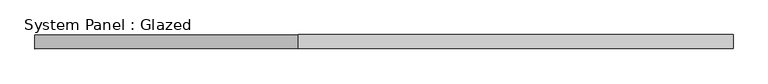
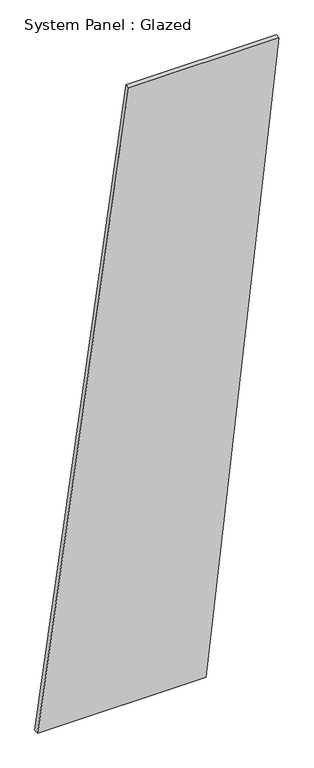
"""IFC4 building model written with IfcOpenShell, lengths in millimetres: plate geometry, System Panel : Glazed."""

import ifcopenshell
import ifcopenshell.guid

model = None  # the IFC model being written
_history = None  # IfcOwnerHistory: only IFC2X3 demands one
_inside = {}  # id of a spatial element -> (the spatial element, [elements in it])
_under = {}  # id of a project, library or spatial element -> (it, [spatial elements below it])
_declared = {}  # id of a project -> (the project, [libraries it declares])
_typed = {}  # id of a type object -> (the type object, [elements of that type])
_made_of = {}  # id of a material, layer set ... -> (it, [elements and type objects made of it])


def new_model(schema):
    """Start an empty IFC model of exactly this schema.

    Asked for "IFC4X3", IfcOpenShell would pick the latest addendum, in which some entities
    have other attributes; the version numbers below select the first issue.
    IFC2X3 requires an IfcOwnerHistory on every rooted entity: one is made here for all.
    """
    global model, _history
    if schema == "IFC4X3":
        model = ifcopenshell.file(schema_version=(4, 3, 0, 0))
    else:
        model = ifcopenshell.file(schema=schema)
    _inside.clear()
    _under.clear()
    _declared.clear()
    _typed.clear()
    _made_of.clear()
    _history = None
    if model.schema == "IFC2X3":
        org = make("IfcOrganization", Name="unknown")
        user = make(
            "IfcPersonAndOrganization",
            ThePerson=make("IfcPerson", FamilyName="unknown"),
            TheOrganization=org,
        )
        app = make(
            "IfcApplication",
            ApplicationDeveloper=org,
            Version="unknown",
            ApplicationFullName="unknown",
            ApplicationIdentifier="unknown",
        )
        _history = make(
            "IfcOwnerHistory",
            OwningUser=user,
            OwningApplication=app,
            ChangeAction="ADDED",
            CreationDate=0,
        )
    return model


def make(cls, **values):
    """One entity of the class cls with the attributes given. An attribute that is None is left unset."""
    return model.create_entity(
        cls, **{name: value for name, value in values.items() if value is not None}
    )


def rooted(cls, **values):
    """An entity with a GlobalId (a new one), such as an element, a storey or a relation."""
    return make(cls, GlobalId=ifcopenshell.guid.new(), OwnerHistory=_history, **values)


def si_unit(unit_type, name, prefix=None):
    """IfcSIUnit, for example si_unit("LENGTHUNIT", "METRE", prefix="MILLI")."""
    return make("IfcSIUnit", UnitType=unit_type, Prefix=prefix, Name=name)


def assignment(units):
    """IfcUnitAssignment: the units of a project."""
    return None if units is None else make("IfcUnitAssignment", Units=units)


def point(xyz):
    """IfcCartesianPoint."""
    return None if xyz is None else make("IfcCartesianPoint", Coordinates=xyz)


def direction(xyz):
    """IfcDirection."""
    return None if xyz is None else make("IfcDirection", DirectionRatios=xyz)


def frame(location, z_axis=None, x_axis=None):
    """IfcAxis2Placement3D, a coordinate frame: its origin and axes. An axis left out is left unset."""
    return make(
        "IfcAxis2Placement3D",
        Location=point(location),
        Axis=direction(z_axis),
        RefDirection=direction(x_axis),
    )


def origin():
    """The frame at (0, 0, 0) with its axes left unset."""
    return frame((0.0, 0.0, 0.0))


def place(relative_to, where):
    """IfcLocalPlacement: puts the frame where relative to a parent placement (None: the world)."""
    return make(
        "IfcLocalPlacement", PlacementRelTo=relative_to, RelativePlacement=where
    )


def context(
    kind, dimensions, precision=None, world=None, true_north=None, identifier=None
):
    """IfcGeometricRepresentationContext, for example the 3D "Model" context."""
    return make(
        "IfcGeometricRepresentationContext",
        ContextIdentifier=identifier,
        ContextType=kind,
        CoordinateSpaceDimension=dimensions,
        Precision=precision,
        WorldCoordinateSystem=world,
        TrueNorth=true_north,
    )


def project(units=None, contexts=None):
    """IfcProject with its units and contexts."""
    return rooted(
        "IfcProject",
        Name="project",
        RepresentationContexts=contexts,
        UnitsInContext=assignment(units),
    )


def spatial(cls, under=None, at=None, **own):
    """A site, building, storey or space (cls), placed at a placement, below another one or the project."""
    s = rooted(cls, ObjectPlacement=at, **own)
    if under is not None:
        _under.setdefault(under.id(), (under, []))[1].append(s)
    return s


def polyline(points):
    """IfcPolyline through the points."""
    return make("IfcPolyline", Points=[point(p) for p in points])


def outline(outer, holes=None, kind="AREA"):
    """IfcArbitraryClosedProfileDef: a profile drawn as a closed curve; with holes, ...WithVoids."""
    if holes is None:
        return make("IfcArbitraryClosedProfileDef", ProfileType=kind, OuterCurve=outer)
    return make(
        "IfcArbitraryProfileDefWithVoids",
        ProfileType=kind,
        OuterCurve=outer,
        InnerCurves=holes,
    )


def extrude(swept, where, along, depth):
    """IfcExtrudedAreaSolid: the profile swept, set in the frame where, extruded along a direction by depth."""
    return make(
        "IfcExtrudedAreaSolid",
        SweptArea=swept,
        Position=where,
        ExtrudedDirection=direction(along),
        Depth=depth,
    )


def shape(context_of_items, identifier, shape_type, items):
    """IfcShapeRepresentation: the items that make up one representation, for example the "Body"."""
    return make(
        "IfcShapeRepresentation",
        ContextOfItems=context_of_items,
        RepresentationIdentifier=identifier,
        RepresentationType=shape_type,
        Items=items,
    )


def source(mapping_origin, context_of_items, identifier, shape_type, items):
    """IfcRepresentationMap: a shape defined once, which mapped items show again and again."""
    return make(
        "IfcRepresentationMap",
        MappingOrigin=mapping_origin,
        MappedRepresentation=shape(context_of_items, identifier, shape_type, items),
    )


def transform(
    local_origin,
    x_axis=None,
    y_axis=None,
    z_axis=None,
    scale=None,
    scale2=None,
    scale3=None,
    uniform=True,
):
    """IfcCartesianTransformationOperator3D, or its non-uniform kind. x_axis, y_axis, z_axis: its Axis1, 2, 3."""
    if uniform:
        return make(
            "IfcCartesianTransformationOperator3D",
            Axis1=direction(x_axis),
            Axis2=direction(y_axis),
            LocalOrigin=point(local_origin),
            Scale=scale,
            Axis3=direction(z_axis),
        )
    return make(
        "IfcCartesianTransformationOperator3DnonUniform",
        Axis1=direction(x_axis),
        Axis2=direction(y_axis),
        LocalOrigin=point(local_origin),
        Scale=scale,
        Axis3=direction(z_axis),
        Scale2=scale2,
        Scale3=scale3,
    )


def mapped(mapping_source, mapping_target):
    """IfcMappedItem: shows the shape of a source again, moved by a transform."""
    return make(
        "IfcMappedItem", MappingSource=mapping_source, MappingTarget=mapping_target
    )


def made_of(thing, what):
    """Note that an element or type object is made of a material, layer set ...; save() writes the relation."""
    if what is not None:
        _made_of.setdefault(what.id(), (what, []))[1].append(thing)
    return thing


def element(
    cls,
    number,
    at=None,
    inside=None,
    cuts=None,
    type_object=None,
    material=None,
    context=None,
    identifier="Body",
    shape_type=None,
    held_by="IfcProductDefinitionShape",
    body=None,
    shapes=None,
    **own,
):
    """One element of the class cls, such as IfcWall. Its Tag is "e" and its number.

    at: its placement. inside: the storey or other place that contains it. cuts: it is an
    opening in that element (IfcRelVoidsElement). A single representation is given by context,
    identifier, shape_type and body (its items); several are given by shapes. held_by: the class
    of the entity that holds the representations. save() writes the other relations.
    """
    e = rooted(cls, Tag="e%d" % number, ObjectPlacement=at, **own)
    if body is not None:
        shapes = [shape(context, identifier, shape_type, body)]
    if shapes is not None:
        e.Representation = make(held_by, Representations=shapes)
    if inside is not None:
        _inside.setdefault(inside.id(), (inside, []))[1].append(e)
    if cuts is not None:
        rooted(
            "IfcRelVoidsElement", RelatingBuildingElement=cuts, RelatedOpeningElement=e
        )
    if type_object is not None:
        _typed.setdefault(type_object.id(), (type_object, []))[1].append(e)
    return made_of(e, material)


def aggregate(whole, parts):
    """IfcRelAggregates: a whole, such as a stair, and the parts it consists of."""
    return rooted("IfcRelAggregates", RelatingObject=whole, RelatedObjects=parts)


def save(model, path):
    """Write the relations noted so far, then the file.

    IfcRelAggregates (storeys below a building ...), IfcRelContainedInSpatialStructure (elements
    in a storey), IfcRelDefinesByType, IfcRelAssociatesMaterial and IfcRelDeclares: one each for
    every whole, place, type object, material and project.
    """
    for whole, parts in _under.values():
        aggregate(whole, parts)
    for where, things in _inside.values():
        rooted(
            "IfcRelContainedInSpatialStructure",
            RelatedElements=things,
            RelatingStructure=where,
        )
    for kind, things in _typed.values():
        rooted("IfcRelDefinesByType", RelatedObjects=things, RelatingType=kind)
    for what, things in _made_of.values():
        rooted("IfcRelAssociatesMaterial", RelatedObjects=things, RelatingMaterial=what)
    for by, libraries in _declared.values():
        rooted("IfcRelDeclares", RelatingContext=by, RelatedDefinitions=libraries)
    model.write(path)


def system_panel_glazed_209df9a2(model_context):
    return source(origin(), model_context, "Body", "SweptSolid", [
        extrude(outline(polyline([(0.0, -620.5797181), (0.0, 245.7309374), (3339.8511072, 620.5797181), (3339.8511072, -152.0187422), (0.0, -620.5797181)])), frame((0.0, -49.5, 0.0), z_axis=(0.0, 1.0, 0.0), x_axis=(0.0, 0.0, 1.0)), (0.0, 0.0, 1.0), 25.0),
    ])


if __name__ == "__main__":
    model = new_model("IFC4")
    model_context = context("Model", 3, world=origin())
    ifc_project = project(units=[si_unit("LENGTHUNIT", "METRE", prefix="MILLI")], contexts=[model_context])
    site = spatial("IfcSite", under=ifc_project)
    building = spatial("IfcBuilding", under=site)
    placement = place(None, origin())
    system_panel_glazed_shape = system_panel_glazed_209df9a2(model_context)
    element("IfcPlate", 1, ObjectType="System Panel : Glazed", at=placement, inside=building, context=model_context, shape_type="MappedRepresentation", body=[
        mapped(system_panel_glazed_shape, transform((0.0, 0.0, 0.0), x_axis=(1.0, 0.0, 0.0), y_axis=(0.0, 1.0, 0.0), z_axis=(0.0, 0.0, 1.0))),
    ])
    save(model, "model.ifc")
